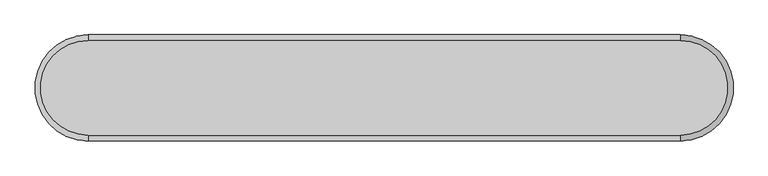
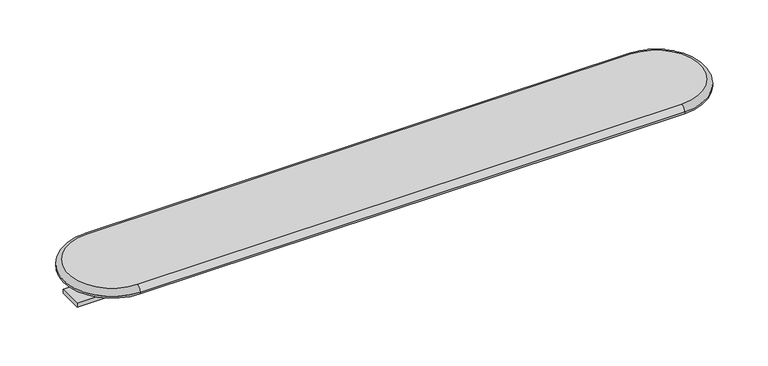
"""IFC4 building model written with IfcOpenShell, lengths in millimetres: furniture geometry."""

from ifc_helpers import new_model, si_unit, point, frame, frame_2d, origin, place, context, project, spatial, polyline, circle_curve, ellipse_curve, trimmed, segment, composite_curve, outline, extrude, source, transform, mapped, element, save
from ifc_brep_helpers import plane_surface, cylinder_surface, revolved_surface, advanced_brep


def furniture_a1bae147(model_context):
    return source(origin(), model_context, "Body", "SolidModel", [
        advanced_brep(
        [(-860.8471981, 1154.1353662, 1082.675), (-860.8471981, 836.6353662, 1082.675), (1120.3528019, 836.6353662, 1082.675), (1120.3528019, 1154.1353662, 1082.675), (-860.8471981, 817.5853662, 1057.274997), (-860.8471981, 1173.1853662, 1057.274997), (1120.3528019, 1173.1853662, 1057.274997), (1120.3528019, 817.5853662, 1057.274997), (-860.8471981, 817.5853662, 1063.625), (-860.8471981, 1173.1853662, 1063.625), (1120.3528019, 817.5853662, 1063.625), (1120.3528019, 1173.1853662, 1063.625)],
        [
            (0, 1, circle_curve(frame((-860.8471981, 995.3853662, 1082.675), z_axis=(0.0, 0.0, 1.0), x_axis=(0.0, 1.0, 0.0)), 158.75)),
            (1, 2),
            (2, 3, circle_curve(frame((1120.3528019, 995.3853662, 1082.675), z_axis=(0.0, 0.0, 1.0), x_axis=(0.0, -1.0, 0.0)), 158.75)),
            (3, 0),
            (4, 5, circle_curve(frame((-860.8471981, 995.3853662, 1057.274997), z_axis=(0.0, 0.0, -1.0), x_axis=(0.0, 1.0, 0.0)), 177.8)),
            (5, 6),
            (6, 7, circle_curve(frame((1120.3528019, 995.3853662, 1057.274997), z_axis=(0.0, 0.0, -1.0), x_axis=(0.0, -1.0, 0.0)), 177.8)),
            (7, 4),
            (4, 8),
            (8, 9, circle_curve(frame((-860.8471981, 995.3853662, 1063.625), z_axis=(0.0, 0.0, -1.0), x_axis=(0.0, 1.0, 0.0)), 177.8)),
            (9, 5),
            (0, 9, circle_curve(frame((-860.8471981, 1154.1353662, 1063.625), z_axis=(-1.0, 0.0, 0.0), x_axis=(0.0, 1.0, 0.0)), 19.05)),
            (8, 1, circle_curve(frame((-860.8471981, 836.6353662, 1063.625), z_axis=(-1.0, 0.0, 0.0), x_axis=(0.0, -1.0, 0.0)), 19.05)),
            (8, 10),
            (10, 2, circle_curve(frame((1120.3528019, 836.6353662, 1063.625), z_axis=(-1.0, 0.0, 0.0), x_axis=(0.0, 1.0, 0.0)), 19.05)),
            (7, 10),
            (9, 11),
            (11, 6),
            (3, 11, circle_curve(frame((1120.3528019, 1154.1353662, 1063.625), z_axis=(-1.0, 0.0, 0.0), x_axis=(0.0, 1.0, 0.0)), 19.05)),
            (10, 11, circle_curve(frame((1120.3528019, 995.3853662, 1063.625), z_axis=(0.0, 0.0, 1.0), x_axis=(0.0, -1.0, 0.0)), 177.8)),
        ],
        [
            plane_surface(frame((-860.8471981, 995.3853662, 1082.675), z_axis=(0.0, 0.0, 1.0), x_axis=(0.0, 1.0, 0.0))),
            plane_surface(frame((-860.8471981, 995.3853662, 1057.274997), z_axis=(0.0, 0.0, -1.0), x_axis=(0.0, 1.0, 0.0))),
            cylinder_surface(frame((-860.8471981, 995.3853662, 2440.9722001), z_axis=(0.0, 0.0, 1.0), x_axis=(0.0, 1.0, 0.0)), 177.8),
            revolved_surface(trimmed(ellipse_curve(frame((-860.8471981, 1154.1353662, 1063.625), z_axis=(1.0, 0.0, 0.0), x_axis=(0.0, 1.0, 0.0)), 19.05, 19.05), [point((-860.8471981, 1173.1853662, 1063.625))], [point((-860.8471981, 1154.1353662, 1082.675))], True, "CARTESIAN"), (-860.8471981, 995.3853662, 2440.9722001), (0.0, 0.0, 1.0)),
            cylinder_surface(frame((-860.8471981, 836.6353662, 1063.625), z_axis=(1.0, 0.0, 0.0), x_axis=(0.0, 1.0, 0.0)), 19.05),
            plane_surface(frame((1120.3528019, 817.5853662, 1063.625), z_axis=(0.0, -1.0, -2.621901444738536e-12), x_axis=(-1.0, 0.0, 0.0))),
            plane_surface(frame((1120.3528019, 1173.1853662, 1057.274997), z_axis=(0.0, 1.0, 0.0), x_axis=(-1.0, 0.0, 0.0))),
            cylinder_surface(frame((-860.8471981, 1154.1353662, 1063.625), z_axis=(1.0, 0.0, 0.0), x_axis=(0.0, 1.0, 0.0)), 19.05),
            revolved_surface(trimmed(ellipse_curve(frame((1120.3528019, 836.6353662, 1063.625), z_axis=(-1.0, 0.0, 0.0), x_axis=(0.0, 1.0, 0.0)), 19.05, 19.05), [point((1120.3528019, 817.5853662, 1063.625))], [point((1120.3528019, 836.6353662, 1082.675))], True, "CARTESIAN"), (1120.3528019, 995.3853662, -324.3972842), (0.0, 0.0, 1.0)),
            cylinder_surface(frame((1120.3528019, 995.3853662, -324.3972842), z_axis=(0.0, 0.0, 1.0), x_axis=(0.0, -1.0, 0.0)), 177.8),
        ],
        [
            (0, [[1, 2, 3, 4]]),
            (1, [[5, 6, 7, 8]]),
            (2, [[-5, 9, 10, 11]]),
            (3, [[-1, 12, -10, 13]]),
            (4, [[-2, -13, 14, 15]]),
            (5, [[-14, -9, -8, 16]]),
            (6, [[-6, -11, 17, 18]]),
            (7, [[-17, -12, -4, 19]]),
            (8, [[-3, -15, 20, -19]]),
            (9, [[-20, -16, -7, -18]]),
        ],
    ),
        extrude(outline(composite_curve([segment(trimmed(circle_curve(frame_2d((129.7528019, 995.3853662)), 31.75), [point((129.7528019, 963.6353662))], [point((129.7528019, 1027.1353662))], False, "CARTESIAN"), True, "CONTINUOUS"), segment(trimmed(circle_curve(frame_2d((129.7528019, 995.3853662)), 31.75), [point((129.7528019, 1027.1353662))], [point((129.7528019, 963.6353662))], False, "CARTESIAN"), True, "CONTINUOUS")], self_intersect=False)), frame((0.0, 0.0, 993.7749996), z_axis=(0.0, 0.0, 1.0), x_axis=(1.0, 0.0, 0.0)), (0.0, 0.0, 1.0), 63.4999974),
        extrude(outline(composite_curve([segment(trimmed(circle_curve(frame_2d((1120.3528019, 995.3853662)), 31.75), [point((1120.3528019, 963.6353662))], [point((1120.3528019, 1027.1353662))], False, "CARTESIAN"), True, "CONTINUOUS"), segment(trimmed(circle_curve(frame_2d((1120.3528019, 995.3853662)), 31.75), [point((1120.3528019, 1027.1353662))], [point((1120.3528019, 963.6353662))], False, "CARTESIAN"), True, "CONTINUOUS")], self_intersect=False)), frame((0.0, 0.0, 993.7749996), z_axis=(0.0, 0.0, 1.0), x_axis=(1.0, 0.0, 0.0)), (0.0, 0.0, 1.0), 63.4999974),
        extrude(outline(composite_curve([segment(trimmed(circle_curve(frame_2d((625.0528019, 995.3853662)), 31.75), [point((625.0528019, 963.6353662))], [point((625.0528019, 1027.1353662))], False, "CARTESIAN"), True, "CONTINUOUS"), segment(trimmed(circle_curve(frame_2d((625.0528019, 995.3853662)), 31.75), [point((625.0528019, 1027.1353662))], [point((625.0528019, 963.6353662))], False, "CARTESIAN"), True, "CONTINUOUS")], self_intersect=False)), frame((0.0, 0.0, 993.7749996), z_axis=(0.0, 0.0, 1.0), x_axis=(1.0, 0.0, 0.0)), (0.0, 0.0, 1.0), 63.4999974),
        extrude(outline(composite_curve([segment(trimmed(circle_curve(frame_2d((-365.5471981, 995.3853662)), 31.75), [point((-365.5471981, 963.6353662))], [point((-365.5471981, 1027.1353662))], False, "CARTESIAN"), True, "CONTINUOUS"), segment(trimmed(circle_curve(frame_2d((-365.5471981, 995.3853662)), 31.75), [point((-365.5471981, 1027.1353662))], [point((-365.5471981, 963.6353662))], False, "CARTESIAN"), True, "CONTINUOUS")], self_intersect=False)), frame((0.0, 0.0, 993.7749996), z_axis=(0.0, 0.0, 1.0), x_axis=(1.0, 0.0, 0.0)), (0.0, 0.0, 1.0), 63.4999974),
        extrude(outline(composite_curve([segment(trimmed(circle_curve(frame_2d((-860.8471981, 995.3853662)), 31.75), [point((-860.8471981, 963.6353662))], [point((-860.8471981, 1027.1353662))], False, "CARTESIAN"), True, "CONTINUOUS"), segment(trimmed(circle_curve(frame_2d((-860.8471981, 995.3853662)), 31.75), [point((-860.8471981, 1027.1353662))], [point((-860.8471981, 963.6353662))], False, "CARTESIAN"), True, "CONTINUOUS")], self_intersect=False)), frame((0.0, 0.0, 993.7749996), z_axis=(0.0, 0.0, 1.0), x_axis=(1.0, 0.0, 0.0)), (0.0, 0.0, 1.0), 63.4999974),
        extrude(outline(polyline([(1272.7528019, 1039.8353662), (1272.7528019, 950.9353693), (-1013.2471981, 950.9353693), (-1013.2471981, 1039.8353662), (1272.7528019, 1039.8353662)])), frame((0.0, 0.0, 977.9), z_axis=(0.0, 0.0, 1.0), x_axis=(1.0, 0.0, 0.0)), (0.0, 0.0, 1.0), 15.8749996),
    ])


if __name__ == "__main__":
    model = new_model("IFC4")
    model_context = context("Model", 3, world=origin())
    ifc_project = project(units=[si_unit("LENGTHUNIT", "METRE", prefix="MILLI")], contexts=[model_context])
    site = spatial("IfcSite", under=ifc_project)
    building = spatial("IfcBuilding", under=site)
    placement = place(None, origin())
    furniture_shape = furniture_a1bae147(model_context)
    element("IfcFurniture", 1, at=placement, inside=building, context=model_context, shape_type="MappedRepresentation", body=[
        mapped(furniture_shape, transform((0.0, 0.0, 0.0), x_axis=(1.0, 0.0, 0.0), y_axis=(0.0, 1.0, 0.0), z_axis=(0.0, 0.0, 1.0))),
    ])
    save(model, "model.ifc")
